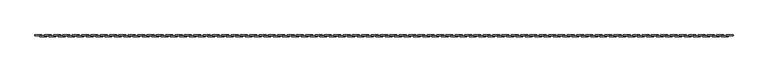
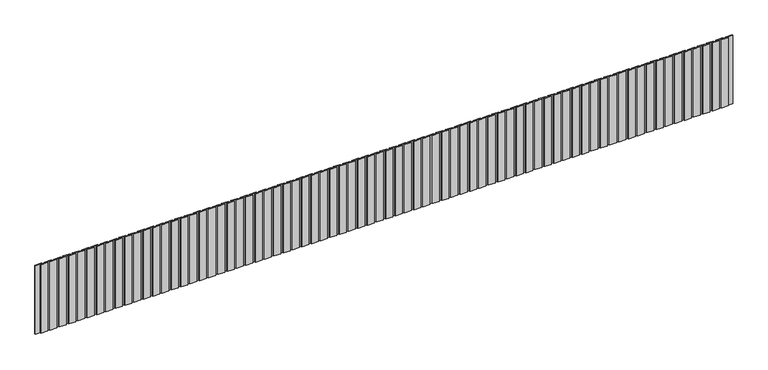
"""IFC4 building model written with IfcOpenShell, lengths in millimetres: geographic element geometry."""

from ifc_helpers import new_model, si_unit, frame, origin, place, context, project, spatial, polyline, outline, extrude, source, transform, mapped, element, save


def geographic_element_56c18381(model_context):
    return source(origin(), model_context, "Body", "SweptSolid", [
        extrude(outline(polyline([(31050.6871344, 20.0), (30900.3435672, 20.0), (30900.3435672, 40.0), (31050.6871344, 40.0), (31050.6871344, 20.0)])), frame((0.0, 0.0, 200.0), z_axis=(0.0, 0.0, 1.0), x_axis=(1.0, 0.0, 0.0)), (0.0, 0.0, 1.0), 1550.0),
        extrude(outline(polyline([(30950.3435672, 0.0), (30800.0, 0.0), (30800.0, 20.0), (30950.3435672, 20.0), (30950.3435672, 0.0)])), frame((0.0, 0.0, 200.0), z_axis=(0.0, 0.0, 1.0), x_axis=(1.0, 0.0, 0.0)), (0.0, 0.0, 1.0), 1550.0),
        extrude(outline(polyline([(30850.6871344, 20.0), (30700.3435672, 20.0), (30700.3435672, 40.0), (30850.6871344, 40.0), (30850.6871344, 20.0)])), frame((0.0, 0.0, 200.0), z_axis=(0.0, 0.0, 1.0), x_axis=(1.0, 0.0, 0.0)), (0.0, 0.0, 1.0), 1550.0),
        extrude(outline(polyline([(30750.3435672, 0.0), (30600.0, 0.0), (30600.0, 20.0), (30750.3435672, 20.0), (30750.3435672, 0.0)])), frame((0.0, 0.0, 200.0), z_axis=(0.0, 0.0, 1.0), x_axis=(1.0, 0.0, 0.0)), (0.0, 0.0, 1.0), 1550.0),
        extrude(outline(polyline([(30650.6871344, 20.0), (30500.3435672, 20.0), (30500.3435672, 40.0), (30650.6871344, 40.0), (30650.6871344, 20.0)])), frame((0.0, 0.0, 200.0), z_axis=(0.0, 0.0, 1.0), x_axis=(1.0, 0.0, 0.0)), (0.0, 0.0, 1.0), 1550.0),
        extrude(outline(polyline([(30550.3435672, 0.0), (30400.0, 0.0), (30400.0, 20.0), (30550.3435672, 20.0), (30550.3435672, 0.0)])), frame((0.0, 0.0, 200.0), z_axis=(0.0, 0.0, 1.0), x_axis=(1.0, 0.0, 0.0)), (0.0, 0.0, 1.0), 1550.0),
        extrude(outline(polyline([(30450.6871344, 20.0), (30300.3435672, 20.0), (30300.3435672, 40.0), (30450.6871344, 40.0), (30450.6871344, 20.0)])), frame((0.0, 0.0, 200.0), z_axis=(0.0, 0.0, 1.0), x_axis=(1.0, 0.0, 0.0)), (0.0, 0.0, 1.0), 1550.0),
        extrude(outline(polyline([(30350.3435672, 0.0), (30200.0, 0.0), (30200.0, 20.0), (30350.3435672, 20.0), (30350.3435672, 0.0)])), frame((0.0, 0.0, 200.0), z_axis=(0.0, 0.0, 1.0), x_axis=(1.0, 0.0, 0.0)), (0.0, 0.0, 1.0), 1550.0),
        extrude(outline(polyline([(30250.6871344, 20.0), (30100.3435672, 20.0), (30100.3435672, 40.0), (30250.6871344, 40.0), (30250.6871344, 20.0)])), frame((0.0, 0.0, 200.0), z_axis=(0.0, 0.0, 1.0), x_axis=(1.0, 0.0, 0.0)), (0.0, 0.0, 1.0), 1550.0),
        extrude(outline(polyline([(30150.3435672, 0.0), (30000.0, 0.0), (30000.0, 20.0), (30150.3435672, 20.0), (30150.3435672, 0.0)])), frame((0.0, 0.0, 200.0), z_axis=(0.0, 0.0, 1.0), x_axis=(1.0, 0.0, 0.0)), (0.0, 0.0, 1.0), 1550.0),
        extrude(outline(polyline([(30050.6871344, 20.0), (29900.3435672, 20.0), (29900.3435672, 40.0), (30050.6871344, 40.0), (30050.6871344, 20.0)])), frame((0.0, 0.0, 200.0), z_axis=(0.0, 0.0, 1.0), x_axis=(1.0, 0.0, 0.0)), (0.0, 0.0, 1.0), 1550.0),
        extrude(outline(polyline([(29950.3435672, 0.0), (29800.0, 0.0), (29800.0, 20.0), (29950.3435672, 20.0), (29950.3435672, 0.0)])), frame((0.0, 0.0, 200.0), z_axis=(0.0, 0.0, 1.0), x_axis=(1.0, 0.0, 0.0)), (0.0, 0.0, 1.0), 1550.0),
        extrude(outline(polyline([(29850.6871344, 20.0), (29700.3435672, 20.0), (29700.3435672, 40.0), (29850.6871344, 40.0), (29850.6871344, 20.0)])), frame((0.0, 0.0, 200.0), z_axis=(0.0, 0.0, 1.0), x_axis=(1.0, 0.0, 0.0)), (0.0, 0.0, 1.0), 1550.0),
        extrude(outline(polyline([(29750.3435672, 0.0), (29600.0, 0.0), (29600.0, 20.0), (29750.3435672, 20.0), (29750.3435672, 0.0)])), frame((0.0, 0.0, 200.0), z_axis=(0.0, 0.0, 1.0), x_axis=(1.0, 0.0, 0.0)), (0.0, 0.0, 1.0), 1550.0),
        extrude(outline(polyline([(29650.6871344, 20.0), (29500.3435672, 20.0), (29500.3435672, 40.0), (29650.6871344, 40.0), (29650.6871344, 20.0)])), frame((0.0, 0.0, 200.0), z_axis=(0.0, 0.0, 1.0), x_axis=(1.0, 0.0, 0.0)), (0.0, 0.0, 1.0), 1550.0),
        extrude(outline(polyline([(29550.3435672, 0.0), (29400.0, 0.0), (29400.0, 20.0), (29550.3435672, 20.0), (29550.3435672, 0.0)])), frame((0.0, 0.0, 200.0), z_axis=(0.0, 0.0, 1.0), x_axis=(1.0, 0.0, 0.0)), (0.0, 0.0, 1.0), 1550.0),
        extrude(outline(polyline([(29450.6871344, 20.0), (29300.3435672, 20.0), (29300.3435672, 40.0), (29450.6871344, 40.0), (29450.6871344, 20.0)])), frame((0.0, 0.0, 200.0), z_axis=(0.0, 0.0, 1.0), x_axis=(1.0, 0.0, 0.0)), (0.0, 0.0, 1.0), 1550.0),
        extrude(outline(polyline([(29350.3435672, 0.0), (29200.0, 0.0), (29200.0, 20.0), (29350.3435672, 20.0), (29350.3435672, 0.0)])), frame((0.0, 0.0, 200.0), z_axis=(0.0, 0.0, 1.0), x_axis=(1.0, 0.0, 0.0)), (0.0, 0.0, 1.0), 1550.0),
        extrude(outline(polyline([(29250.6871344, 20.0), (29100.3435672, 20.0), (29100.3435672, 40.0), (29250.6871344, 40.0), (29250.6871344, 20.0)])), frame((0.0, 0.0, 200.0), z_axis=(0.0, 0.0, 1.0), x_axis=(1.0, 0.0, 0.0)), (0.0, 0.0, 1.0), 1550.0),
        extrude(outline(polyline([(29150.3435672, 0.0), (29000.0, 0.0), (29000.0, 20.0), (29150.3435672, 20.0), (29150.3435672, 0.0)])), frame((0.0, 0.0, 200.0), z_axis=(0.0, 0.0, 1.0), x_axis=(1.0, 0.0, 0.0)), (0.0, 0.0, 1.0), 1550.0),
        extrude(outline(polyline([(29050.6871344, 20.0), (28900.3435672, 20.0), (28900.3435672, 40.0), (29050.6871344, 40.0), (29050.6871344, 20.0)])), frame((0.0, 0.0, 200.0), z_axis=(0.0, 0.0, 1.0), x_axis=(1.0, 0.0, 0.0)), (0.0, 0.0, 1.0), 1550.0),
        extrude(outline(polyline([(28950.3435672, 0.0), (28800.0, 0.0), (28800.0, 20.0), (28950.3435672, 20.0), (28950.3435672, 0.0)])), frame((0.0, 0.0, 200.0), z_axis=(0.0, 0.0, 1.0), x_axis=(1.0, 0.0, 0.0)), (0.0, 0.0, 1.0), 1550.0),
        extrude(outline(polyline([(28850.6871344, 20.0), (28700.3435672, 20.0), (28700.3435672, 40.0), (28850.6871344, 40.0), (28850.6871344, 20.0)])), frame((0.0, 0.0, 200.0), z_axis=(0.0, 0.0, 1.0), x_axis=(1.0, 0.0, 0.0)), (0.0, 0.0, 1.0), 1550.0),
        extrude(outline(polyline([(28750.3435672, 0.0), (28600.0, 0.0), (28600.0, 20.0), (28750.3435672, 20.0), (28750.3435672, 0.0)])), frame((0.0, 0.0, 200.0), z_axis=(0.0, 0.0, 1.0), x_axis=(1.0, 0.0, 0.0)), (0.0, 0.0, 1.0), 1550.0),
        extrude(outline(polyline([(28650.6871344, 20.0), (28500.3435672, 20.0), (28500.3435672, 40.0), (28650.6871344, 40.0), (28650.6871344, 20.0)])), frame((0.0, 0.0, 200.0), z_axis=(0.0, 0.0, 1.0), x_axis=(1.0, 0.0, 0.0)), (0.0, 0.0, 1.0), 1550.0),
        extrude(outline(polyline([(28550.3435672, 0.0), (28400.0, 0.0), (28400.0, 20.0), (28550.3435672, 20.0), (28550.3435672, 0.0)])), frame((0.0, 0.0, 200.0), z_axis=(0.0, 0.0, 1.0), x_axis=(1.0, 0.0, 0.0)), (0.0, 0.0, 1.0), 1550.0),
        extrude(outline(polyline([(28450.6871344, 20.0), (28300.3435672, 20.0), (28300.3435672, 40.0), (28450.6871344, 40.0), (28450.6871344, 20.0)])), frame((0.0, 0.0, 200.0), z_axis=(0.0, 0.0, 1.0), x_axis=(1.0, 0.0, 0.0)), (0.0, 0.0, 1.0), 1550.0),
        extrude(outline(polyline([(28350.3435672, 0.0), (28200.0, 0.0), (28200.0, 20.0), (28350.3435672, 20.0), (28350.3435672, 0.0)])), frame((0.0, 0.0, 200.0), z_axis=(0.0, 0.0, 1.0), x_axis=(1.0, 0.0, 0.0)), (0.0, 0.0, 1.0), 1550.0),
        extrude(outline(polyline([(28250.6871344, 20.0), (28100.3435672, 20.0), (28100.3435672, 40.0), (28250.6871344, 40.0), (28250.6871344, 20.0)])), frame((0.0, 0.0, 200.0), z_axis=(0.0, 0.0, 1.0), x_axis=(1.0, 0.0, 0.0)), (0.0, 0.0, 1.0), 1550.0),
        extrude(outline(polyline([(28150.3435672, 0.0), (28000.0, 0.0), (28000.0, 20.0), (28150.3435672, 20.0), (28150.3435672, 0.0)])), frame((0.0, 0.0, 200.0), z_axis=(0.0, 0.0, 1.0), x_axis=(1.0, 0.0, 0.0)), (0.0, 0.0, 1.0), 1550.0),
        extrude(outline(polyline([(28050.6871344, 20.0), (27900.3435672, 20.0), (27900.3435672, 40.0), (28050.6871344, 40.0), (28050.6871344, 20.0)])), frame((0.0, 0.0, 200.0), z_axis=(0.0, 0.0, 1.0), x_axis=(1.0, 0.0, 0.0)), (0.0, 0.0, 1.0), 1550.0),
        extrude(outline(polyline([(27950.3435672, 0.0), (27800.0, 0.0), (27800.0, 20.0), (27950.3435672, 20.0), (27950.3435672, 0.0)])), frame((0.0, 0.0, 200.0), z_axis=(0.0, 0.0, 1.0), x_axis=(1.0, 0.0, 0.0)), (0.0, 0.0, 1.0), 1550.0),
        extrude(outline(polyline([(27850.6871344, 20.0), (27700.3435672, 20.0), (27700.3435672, 40.0), (27850.6871344, 40.0), (27850.6871344, 20.0)])), frame((0.0, 0.0, 200.0), z_axis=(0.0, 0.0, 1.0), x_axis=(1.0, 0.0, 0.0)), (0.0, 0.0, 1.0), 1550.0),
        extrude(outline(polyline([(27750.3435672, 0.0), (27600.0, 0.0), (27600.0, 20.0), (27750.3435672, 20.0), (27750.3435672, 0.0)])), frame((0.0, 0.0, 200.0), z_axis=(0.0, 0.0, 1.0), x_axis=(1.0, 0.0, 0.0)), (0.0, 0.0, 1.0), 1550.0),
        extrude(outline(polyline([(27650.6871344, 20.0), (27500.3435672, 20.0), (27500.3435672, 40.0), (27650.6871344, 40.0), (27650.6871344, 20.0)])), frame((0.0, 0.0, 200.0), z_axis=(0.0, 0.0, 1.0), x_axis=(1.0, 0.0, 0.0)), (0.0, 0.0, 1.0), 1550.0),
        extrude(outline(polyline([(27550.3435672, 0.0), (27400.0, 0.0), (27400.0, 20.0), (27550.3435672, 20.0), (27550.3435672, 0.0)])), frame((0.0, 0.0, 200.0), z_axis=(0.0, 0.0, 1.0), x_axis=(1.0, 0.0, 0.0)), (0.0, 0.0, 1.0), 1550.0),
        extrude(outline(polyline([(27450.6871344, 20.0), (27300.3435672, 20.0), (27300.3435672, 40.0), (27450.6871344, 40.0), (27450.6871344, 20.0)])), frame((0.0, 0.0, 200.0), z_axis=(0.0, 0.0, 1.0), x_axis=(1.0, 0.0, 0.0)), (0.0, 0.0, 1.0), 1550.0),
        extrude(outline(polyline([(27350.3435672, 0.0), (27200.0, 0.0), (27200.0, 20.0), (27350.3435672, 20.0), (27350.3435672, 0.0)])), frame((0.0, 0.0, 200.0), z_axis=(0.0, 0.0, 1.0), x_axis=(1.0, 0.0, 0.0)), (0.0, 0.0, 1.0), 1550.0),
        extrude(outline(polyline([(27250.6871344, 20.0), (27100.3435672, 20.0), (27100.3435672, 40.0), (27250.6871344, 40.0), (27250.6871344, 20.0)])), frame((0.0, 0.0, 200.0), z_axis=(0.0, 0.0, 1.0), x_axis=(1.0, 0.0, 0.0)), (0.0, 0.0, 1.0), 1550.0),
        extrude(outline(polyline([(27150.3435672, 0.0), (27000.0, 0.0), (27000.0, 20.0), (27150.3435672, 20.0), (27150.3435672, 0.0)])), frame((0.0, 0.0, 200.0), z_axis=(0.0, 0.0, 1.0), x_axis=(1.0, 0.0, 0.0)), (0.0, 0.0, 1.0), 1550.0),
        extrude(outline(polyline([(27050.6871344, 20.0), (26900.3435672, 20.0), (26900.3435672, 40.0), (27050.6871344, 40.0), (27050.6871344, 20.0)])), frame((0.0, 0.0, 200.0), z_axis=(0.0, 0.0, 1.0), x_axis=(1.0, 0.0, 0.0)), (0.0, 0.0, 1.0), 1550.0),
        extrude(outline(polyline([(26950.3435672, 0.0), (26800.0, 0.0), (26800.0, 20.0), (26950.3435672, 20.0), (26950.3435672, 0.0)])), frame((0.0, 0.0, 200.0), z_axis=(0.0, 0.0, 1.0), x_axis=(1.0, 0.0, 0.0)), (0.0, 0.0, 1.0), 1550.0),
        extrude(outline(polyline([(26850.6871344, 20.0), (26700.3435672, 20.0), (26700.3435672, 40.0), (26850.6871344, 40.0), (26850.6871344, 20.0)])), frame((0.0, 0.0, 200.0), z_axis=(0.0, 0.0, 1.0), x_axis=(1.0, 0.0, 0.0)), (0.0, 0.0, 1.0), 1550.0),
        extrude(outline(polyline([(26750.3435672, 0.0), (26600.0, 0.0), (26600.0, 20.0), (26750.3435672, 20.0), (26750.3435672, 0.0)])), frame((0.0, 0.0, 200.0), z_axis=(0.0, 0.0, 1.0), x_axis=(1.0, 0.0, 0.0)), (0.0, 0.0, 1.0), 1550.0),
        extrude(outline(polyline([(26650.6871344, 20.0), (26500.3435672, 20.0), (26500.3435672, 40.0), (26650.6871344, 40.0), (26650.6871344, 20.0)])), frame((0.0, 0.0, 200.0), z_axis=(0.0, 0.0, 1.0), x_axis=(1.0, 0.0, 0.0)), (0.0, 0.0, 1.0), 1550.0),
        extrude(outline(polyline([(26550.3435672, 0.0), (26400.0, 0.0), (26400.0, 20.0), (26550.3435672, 20.0), (26550.3435672, 0.0)])), frame((0.0, 0.0, 200.0), z_axis=(0.0, 0.0, 1.0), x_axis=(1.0, 0.0, 0.0)), (0.0, 0.0, 1.0), 1550.0),
        extrude(outline(polyline([(26450.6871344, 20.0), (26300.3435672, 20.0), (26300.3435672, 40.0), (26450.6871344, 40.0), (26450.6871344, 20.0)])), frame((0.0, 0.0, 200.0), z_axis=(0.0, 0.0, 1.0), x_axis=(1.0, 0.0, 0.0)), (0.0, 0.0, 1.0), 1550.0),
        extrude(outline(polyline([(26350.3435672, 0.0), (26200.0, 0.0), (26200.0, 20.0), (26350.3435672, 20.0), (26350.3435672, 0.0)])), frame((0.0, 0.0, 200.0), z_axis=(0.0, 0.0, 1.0), x_axis=(1.0, 0.0, 0.0)), (0.0, 0.0, 1.0), 1550.0),
        extrude(outline(polyline([(26250.6871344, 20.0), (26100.3435672, 20.0), (26100.3435672, 40.0), (26250.6871344, 40.0), (26250.6871344, 20.0)])), frame((0.0, 0.0, 200.0), z_axis=(0.0, 0.0, 1.0), x_axis=(1.0, 0.0, 0.0)), (0.0, 0.0, 1.0), 1550.0),
        extrude(outline(polyline([(26150.3435672, 0.0), (26000.0, 0.0), (26000.0, 20.0), (26150.3435672, 20.0), (26150.3435672, 0.0)])), frame((0.0, 0.0, 200.0), z_axis=(0.0, 0.0, 1.0), x_axis=(1.0, 0.0, 0.0)), (0.0, 0.0, 1.0), 1550.0),
        extrude(outline(polyline([(26050.6871344, 20.0), (25900.3435672, 20.0), (25900.3435672, 40.0), (26050.6871344, 40.0), (26050.6871344, 20.0)])), frame((0.0, 0.0, 200.0), z_axis=(0.0, 0.0, 1.0), x_axis=(1.0, 0.0, 0.0)), (0.0, 0.0, 1.0), 1550.0),
        extrude(outline(polyline([(25950.3435672, 0.0), (25800.0, 0.0), (25800.0, 20.0), (25950.3435672, 20.0), (25950.3435672, 0.0)])), frame((0.0, 0.0, 200.0), z_axis=(0.0, 0.0, 1.0), x_axis=(1.0, 0.0, 0.0)), (0.0, 0.0, 1.0), 1550.0),
        extrude(outline(polyline([(25850.6871344, 20.0), (25700.3435672, 20.0), (25700.3435672, 40.0), (25850.6871344, 40.0), (25850.6871344, 20.0)])), frame((0.0, 0.0, 200.0), z_axis=(0.0, 0.0, 1.0), x_axis=(1.0, 0.0, 0.0)), (0.0, 0.0, 1.0), 1550.0),
        extrude(outline(polyline([(25750.3435672, 0.0), (25600.0, 0.0), (25600.0, 20.0), (25750.3435672, 20.0), (25750.3435672, 0.0)])), frame((0.0, 0.0, 200.0), z_axis=(0.0, 0.0, 1.0), x_axis=(1.0, 0.0, 0.0)), (0.0, 0.0, 1.0), 1550.0),
        extrude(outline(polyline([(25650.6871344, 20.0), (25500.3435672, 20.0), (25500.3435672, 40.0), (25650.6871344, 40.0), (25650.6871344, 20.0)])), frame((0.0, 0.0, 200.0), z_axis=(0.0, 0.0, 1.0), x_axis=(1.0, 0.0, 0.0)), (0.0, 0.0, 1.0), 1550.0),
        extrude(outline(polyline([(25550.3435672, 0.0), (25400.0, 0.0), (25400.0, 20.0), (25550.3435672, 20.0), (25550.3435672, 0.0)])), frame((0.0, 0.0, 200.0), z_axis=(0.0, 0.0, 1.0), x_axis=(1.0, 0.0, 0.0)), (0.0, 0.0, 1.0), 1550.0),
        extrude(outline(polyline([(25450.6871344, 20.0), (25300.3435672, 20.0), (25300.3435672, 40.0), (25450.6871344, 40.0), (25450.6871344, 20.0)])), frame((0.0, 0.0, 200.0), z_axis=(0.0, 0.0, 1.0), x_axis=(1.0, 0.0, 0.0)), (0.0, 0.0, 1.0), 1550.0),
        extrude(outline(polyline([(25350.3435672, 0.0), (25200.0, 0.0), (25200.0, 20.0), (25350.3435672, 20.0), (25350.3435672, 0.0)])), frame((0.0, 0.0, 200.0), z_axis=(0.0, 0.0, 1.0), x_axis=(1.0, 0.0, 0.0)), (0.0, 0.0, 1.0), 1550.0),
        extrude(outline(polyline([(25250.6871344, 20.0), (25100.3435672, 20.0), (25100.3435672, 40.0), (25250.6871344, 40.0), (25250.6871344, 20.0)])), frame((0.0, 0.0, 200.0), z_axis=(0.0, 0.0, 1.0), x_axis=(1.0, 0.0, 0.0)), (0.0, 0.0, 1.0), 1550.0),
        extrude(outline(polyline([(25150.3435672, 0.0), (25000.0, 0.0), (25000.0, 20.0), (25150.3435672, 20.0), (25150.3435672, 0.0)])), frame((0.0, 0.0, 200.0), z_axis=(0.0, 0.0, 1.0), x_axis=(1.0, 0.0, 0.0)), (0.0, 0.0, 1.0), 1550.0),
        extrude(outline(polyline([(25050.6871344, 20.0), (24900.3435672, 20.0), (24900.3435672, 40.0), (25050.6871344, 40.0), (25050.6871344, 20.0)])), frame((0.0, 0.0, 200.0), z_axis=(0.0, 0.0, 1.0), x_axis=(1.0, 0.0, 0.0)), (0.0, 0.0, 1.0), 1550.0),
        extrude(outline(polyline([(24950.3435672, 0.0), (24800.0, 0.0), (24800.0, 20.0), (24950.3435672, 20.0), (24950.3435672, 0.0)])), frame((0.0, 0.0, 200.0), z_axis=(0.0, 0.0, 1.0), x_axis=(1.0, 0.0, 0.0)), (0.0, 0.0, 1.0), 1550.0),
        extrude(outline(polyline([(24850.6871344, 20.0), (24700.3435672, 20.0), (24700.3435672, 40.0), (24850.6871344, 40.0), (24850.6871344, 20.0)])), frame((0.0, 0.0, 200.0), z_axis=(0.0, 0.0, 1.0), x_axis=(1.0, 0.0, 0.0)), (0.0, 0.0, 1.0), 1550.0),
        extrude(outline(polyline([(24750.3435672, 0.0), (24600.0, 0.0), (24600.0, 20.0), (24750.3435672, 20.0), (24750.3435672, 0.0)])), frame((0.0, 0.0, 200.0), z_axis=(0.0, 0.0, 1.0), x_axis=(1.0, 0.0, 0.0)), (0.0, 0.0, 1.0), 1550.0),
        extrude(outline(polyline([(24650.6871344, 20.0), (24500.3435672, 20.0), (24500.3435672, 40.0), (24650.6871344, 40.0), (24650.6871344, 20.0)])), frame((0.0, 0.0, 200.0), z_axis=(0.0, 0.0, 1.0), x_axis=(1.0, 0.0, 0.0)), (0.0, 0.0, 1.0), 1550.0),
        extrude(outline(polyline([(24550.3435672, 0.0), (24400.0, 0.0), (24400.0, 20.0), (24550.3435672, 20.0), (24550.3435672, 0.0)])), frame((0.0, 0.0, 200.0), z_axis=(0.0, 0.0, 1.0), x_axis=(1.0, 0.0, 0.0)), (0.0, 0.0, 1.0), 1550.0),
        extrude(outline(polyline([(24450.6871344, 20.0), (24300.3435672, 20.0), (24300.3435672, 40.0), (24450.6871344, 40.0), (24450.6871344, 20.0)])), frame((0.0, 0.0, 200.0), z_axis=(0.0, 0.0, 1.0), x_axis=(1.0, 0.0, 0.0)), (0.0, 0.0, 1.0), 1550.0),
        extrude(outline(polyline([(24350.3435672, 0.0), (24200.0, 0.0), (24200.0, 20.0), (24350.3435672, 20.0), (24350.3435672, 0.0)])), frame((0.0, 0.0, 200.0), z_axis=(0.0, 0.0, 1.0), x_axis=(1.0, 0.0, 0.0)), (0.0, 0.0, 1.0), 1550.0),
        extrude(outline(polyline([(24250.6871344, 20.0), (24100.3435672, 20.0), (24100.3435672, 40.0), (24250.6871344, 40.0), (24250.6871344, 20.0)])), frame((0.0, 0.0, 200.0), z_axis=(0.0, 0.0, 1.0), x_axis=(1.0, 0.0, 0.0)), (0.0, 0.0, 1.0), 1550.0),
        extrude(outline(polyline([(24150.3435672, 0.0), (24000.0, 0.0), (24000.0, 20.0), (24150.3435672, 20.0), (24150.3435672, 0.0)])), frame((0.0, 0.0, 200.0), z_axis=(0.0, 0.0, 1.0), x_axis=(1.0, 0.0, 0.0)), (0.0, 0.0, 1.0), 1550.0),
        extrude(outline(polyline([(24050.6871344, 20.0), (23900.3435672, 20.0), (23900.3435672, 40.0), (24050.6871344, 40.0), (24050.6871344, 20.0)])), frame((0.0, 0.0, 200.0), z_axis=(0.0, 0.0, 1.0), x_axis=(1.0, 0.0, 0.0)), (0.0, 0.0, 1.0), 1550.0),
        extrude(outline(polyline([(23950.3435672, 0.0), (23800.0, 0.0), (23800.0, 20.0), (23950.3435672, 20.0), (23950.3435672, 0.0)])), frame((0.0, 0.0, 200.0), z_axis=(0.0, 0.0, 1.0), x_axis=(1.0, 0.0, 0.0)), (0.0, 0.0, 1.0), 1550.0),
        extrude(outline(polyline([(23850.6871344, 20.0), (23700.3435672, 20.0), (23700.3435672, 40.0), (23850.6871344, 40.0), (23850.6871344, 20.0)])), frame((0.0, 0.0, 200.0), z_axis=(0.0, 0.0, 1.0), x_axis=(1.0, 0.0, 0.0)), (0.0, 0.0, 1.0), 1550.0),
        extrude(outline(polyline([(23750.3435672, 0.0), (23600.0, 0.0), (23600.0, 20.0), (23750.3435672, 20.0), (23750.3435672, 0.0)])), frame((0.0, 0.0, 200.0), z_axis=(0.0, 0.0, 1.0), x_axis=(1.0, 0.0, 0.0)), (0.0, 0.0, 1.0), 1550.0),
        extrude(outline(polyline([(23650.6871344, 20.0), (23500.3435672, 20.0), (23500.3435672, 40.0), (23650.6871344, 40.0), (23650.6871344, 20.0)])), frame((0.0, 0.0, 200.0), z_axis=(0.0, 0.0, 1.0), x_axis=(1.0, 0.0, 0.0)), (0.0, 0.0, 1.0), 1550.0),
        extrude(outline(polyline([(23550.3435672, 0.0), (23400.0, 0.0), (23400.0, 20.0), (23550.3435672, 20.0), (23550.3435672, 0.0)])), frame((0.0, 0.0, 200.0), z_axis=(0.0, 0.0, 1.0), x_axis=(1.0, 0.0, 0.0)), (0.0, 0.0, 1.0), 1550.0),
        extrude(outline(polyline([(23450.6871344, 20.0), (23300.3435672, 20.0), (23300.3435672, 40.0), (23450.6871344, 40.0), (23450.6871344, 20.0)])), frame((0.0, 0.0, 200.0), z_axis=(0.0, 0.0, 1.0), x_axis=(1.0, 0.0, 0.0)), (0.0, 0.0, 1.0), 1550.0),
        extrude(outline(polyline([(23350.3435672, 0.0), (23200.0, 0.0), (23200.0, 20.0), (23350.3435672, 20.0), (23350.3435672, 0.0)])), frame((0.0, 0.0, 200.0), z_axis=(0.0, 0.0, 1.0), x_axis=(1.0, 0.0, 0.0)), (0.0, 0.0, 1.0), 1550.0),
        extrude(outline(polyline([(23250.6871344, 20.0), (23100.3435672, 20.0), (23100.3435672, 40.0), (23250.6871344, 40.0), (23250.6871344, 20.0)])), frame((0.0, 0.0, 200.0), z_axis=(0.0, 0.0, 1.0), x_axis=(1.0, 0.0, 0.0)), (0.0, 0.0, 1.0), 1550.0),
        extrude(outline(polyline([(23150.3435672, 0.0), (23000.0, 0.0), (23000.0, 20.0), (23150.3435672, 20.0), (23150.3435672, 0.0)])), frame((0.0, 0.0, 200.0), z_axis=(0.0, 0.0, 1.0), x_axis=(1.0, 0.0, 0.0)), (0.0, 0.0, 1.0), 1550.0),
        extrude(outline(polyline([(23050.6871344, 20.0), (22900.3435672, 20.0), (22900.3435672, 40.0), (23050.6871344, 40.0), (23050.6871344, 20.0)])), frame((0.0, 0.0, 200.0), z_axis=(0.0, 0.0, 1.0), x_axis=(1.0, 0.0, 0.0)), (0.0, 0.0, 1.0), 1550.0),
        extrude(outline(polyline([(22950.3435672, 0.0), (22800.0, 0.0), (22800.0, 20.0), (22950.3435672, 20.0), (22950.3435672, 0.0)])), frame((0.0, 0.0, 200.0), z_axis=(0.0, 0.0, 1.0), x_axis=(1.0, 0.0, 0.0)), (0.0, 0.0, 1.0), 1550.0),
        extrude(outline(polyline([(22850.6871344, 20.0), (22700.3435672, 20.0), (22700.3435672, 40.0), (22850.6871344, 40.0), (22850.6871344, 20.0)])), frame((0.0, 0.0, 200.0), z_axis=(0.0, 0.0, 1.0), x_axis=(1.0, 0.0, 0.0)), (0.0, 0.0, 1.0), 1550.0),
        extrude(outline(polyline([(22750.3435672, 0.0), (22600.0, 0.0), (22600.0, 20.0), (22750.3435672, 20.0), (22750.3435672, 0.0)])), frame((0.0, 0.0, 200.0), z_axis=(0.0, 0.0, 1.0), x_axis=(1.0, 0.0, 0.0)), (0.0, 0.0, 1.0), 1550.0),
        extrude(outline(polyline([(22650.6871344, 20.0), (22500.3435672, 20.0), (22500.3435672, 40.0), (22650.6871344, 40.0), (22650.6871344, 20.0)])), frame((0.0, 0.0, 200.0), z_axis=(0.0, 0.0, 1.0), x_axis=(1.0, 0.0, 0.0)), (0.0, 0.0, 1.0), 1550.0),
        extrude(outline(polyline([(22550.3435672, 0.0), (22400.0, 0.0), (22400.0, 20.0), (22550.3435672, 20.0), (22550.3435672, 0.0)])), frame((0.0, 0.0, 200.0), z_axis=(0.0, 0.0, 1.0), x_axis=(1.0, 0.0, 0.0)), (0.0, 0.0, 1.0), 1550.0),
        extrude(outline(polyline([(22450.6871344, 20.0), (22300.3435672, 20.0), (22300.3435672, 40.0), (22450.6871344, 40.0), (22450.6871344, 20.0)])), frame((0.0, 0.0, 200.0), z_axis=(0.0, 0.0, 1.0), x_axis=(1.0, 0.0, 0.0)), (0.0, 0.0, 1.0), 1550.0),
        extrude(outline(polyline([(22350.3435672, 0.0), (22200.0, 0.0), (22200.0, 20.0), (22350.3435672, 20.0), (22350.3435672, 0.0)])), frame((0.0, 0.0, 200.0), z_axis=(0.0, 0.0, 1.0), x_axis=(1.0, 0.0, 0.0)), (0.0, 0.0, 1.0), 1550.0),
        extrude(outline(polyline([(22250.6871344, 20.0), (22100.3435672, 20.0), (22100.3435672, 40.0), (22250.6871344, 40.0), (22250.6871344, 20.0)])), frame((0.0, 0.0, 200.0), z_axis=(0.0, 0.0, 1.0), x_axis=(1.0, 0.0, 0.0)), (0.0, 0.0, 1.0), 1550.0),
        extrude(outline(polyline([(22150.3435672, 0.0), (22000.0, 0.0), (22000.0, 20.0), (22150.3435672, 20.0), (22150.3435672, 0.0)])), frame((0.0, 0.0, 200.0), z_axis=(0.0, 0.0, 1.0), x_axis=(1.0, 0.0, 0.0)), (0.0, 0.0, 1.0), 1550.0),
        extrude(outline(polyline([(22050.6871344, 20.0), (21900.3435672, 20.0), (21900.3435672, 40.0), (22050.6871344, 40.0), (22050.6871344, 20.0)])), frame((0.0, 0.0, 200.0), z_axis=(0.0, 0.0, 1.0), x_axis=(1.0, 0.0, 0.0)), (0.0, 0.0, 1.0), 1550.0),
        extrude(outline(polyline([(21950.3435672, 0.0), (21800.0, 0.0), (21800.0, 20.0), (21950.3435672, 20.0), (21950.3435672, 0.0)])), frame((0.0, 0.0, 200.0), z_axis=(0.0, 0.0, 1.0), x_axis=(1.0, 0.0, 0.0)), (0.0, 0.0, 1.0), 1550.0),
        extrude(outline(polyline([(21850.6871344, 20.0), (21700.3435672, 20.0), (21700.3435672, 40.0), (21850.6871344, 40.0), (21850.6871344, 20.0)])), frame((0.0, 0.0, 200.0), z_axis=(0.0, 0.0, 1.0), x_axis=(1.0, 0.0, 0.0)), (0.0, 0.0, 1.0), 1550.0),
        extrude(outline(polyline([(21750.3435672, 0.0), (21600.0, 0.0), (21600.0, 20.0), (21750.3435672, 20.0), (21750.3435672, 0.0)])), frame((0.0, 0.0, 200.0), z_axis=(0.0, 0.0, 1.0), x_axis=(1.0, 0.0, 0.0)), (0.0, 0.0, 1.0), 1550.0),
        extrude(outline(polyline([(21650.6871344, 20.0), (21500.3435672, 20.0), (21500.3435672, 40.0), (21650.6871344, 40.0), (21650.6871344, 20.0)])), frame((0.0, 0.0, 200.0), z_axis=(0.0, 0.0, 1.0), x_axis=(1.0, 0.0, 0.0)), (0.0, 0.0, 1.0), 1550.0),
        extrude(outline(polyline([(21550.3435672, 0.0), (21400.0, 0.0), (21400.0, 20.0), (21550.3435672, 20.0), (21550.3435672, 0.0)])), frame((0.0, 0.0, 200.0), z_axis=(0.0, 0.0, 1.0), x_axis=(1.0, 0.0, 0.0)), (0.0, 0.0, 1.0), 1550.0),
        extrude(outline(polyline([(21450.6871344, 20.0), (21300.3435672, 20.0), (21300.3435672, 40.0), (21450.6871344, 40.0), (21450.6871344, 20.0)])), frame((0.0, 0.0, 200.0), z_axis=(0.0, 0.0, 1.0), x_axis=(1.0, 0.0, 0.0)), (0.0, 0.0, 1.0), 1550.0),
        extrude(outline(polyline([(21350.3435672, 0.0), (21200.0, 0.0), (21200.0, 20.0), (21350.3435672, 20.0), (21350.3435672, 0.0)])), frame((0.0, 0.0, 200.0), z_axis=(0.0, 0.0, 1.0), x_axis=(1.0, 0.0, 0.0)), (0.0, 0.0, 1.0), 1550.0),
        extrude(outline(polyline([(21250.6871344, 20.0), (21100.3435672, 20.0), (21100.3435672, 40.0), (21250.6871344, 40.0), (21250.6871344, 20.0)])), frame((0.0, 0.0, 200.0), z_axis=(0.0, 0.0, 1.0), x_axis=(1.0, 0.0, 0.0)), (0.0, 0.0, 1.0), 1550.0),
        extrude(outline(polyline([(21150.3435672, 0.0), (21000.0, 0.0), (21000.0, 20.0), (21150.3435672, 20.0), (21150.3435672, 0.0)])), frame((0.0, 0.0, 200.0), z_axis=(0.0, 0.0, 1.0), x_axis=(1.0, 0.0, 0.0)), (0.0, 0.0, 1.0), 1550.0),
        extrude(outline(polyline([(21050.6871344, 20.0), (20900.3435672, 20.0), (20900.3435672, 40.0), (21050.6871344, 40.0), (21050.6871344, 20.0)])), frame((0.0, 0.0, 200.0), z_axis=(0.0, 0.0, 1.0), x_axis=(1.0, 0.0, 0.0)), (0.0, 0.0, 1.0), 1550.0),
        extrude(outline(polyline([(20950.3435672, 0.0), (20800.0, 0.0), (20800.0, 20.0), (20950.3435672, 20.0), (20950.3435672, 0.0)])), frame((0.0, 0.0, 200.0), z_axis=(0.0, 0.0, 1.0), x_axis=(1.0, 0.0, 0.0)), (0.0, 0.0, 1.0), 1550.0),
        extrude(outline(polyline([(20850.6871344, 20.0), (20700.3435672, 20.0), (20700.3435672, 40.0), (20850.6871344, 40.0), (20850.6871344, 20.0)])), frame((0.0, 0.0, 200.0), z_axis=(0.0, 0.0, 1.0), x_axis=(1.0, 0.0, 0.0)), (0.0, 0.0, 1.0), 1550.0),
        extrude(outline(polyline([(20750.3435672, 0.0), (20600.0, 0.0), (20600.0, 20.0), (20750.3435672, 20.0), (20750.3435672, 0.0)])), frame((0.0, 0.0, 200.0), z_axis=(0.0, 0.0, 1.0), x_axis=(1.0, 0.0, 0.0)), (0.0, 0.0, 1.0), 1550.0),
        extrude(outline(polyline([(20650.6871344, 20.0), (20500.3435672, 20.0), (20500.3435672, 40.0), (20650.6871344, 40.0), (20650.6871344, 20.0)])), frame((0.0, 0.0, 200.0), z_axis=(0.0, 0.0, 1.0), x_axis=(1.0, 0.0, 0.0)), (0.0, 0.0, 1.0), 1550.0),
        extrude(outline(polyline([(20550.3435672, 0.0), (20400.0, 0.0), (20400.0, 20.0), (20550.3435672, 20.0), (20550.3435672, 0.0)])), frame((0.0, 0.0, 200.0), z_axis=(0.0, 0.0, 1.0), x_axis=(1.0, 0.0, 0.0)), (0.0, 0.0, 1.0), 1550.0),
        extrude(outline(polyline([(20450.6871344, 20.0), (20300.3435672, 20.0), (20300.3435672, 40.0), (20450.6871344, 40.0), (20450.6871344, 20.0)])), frame((0.0, 0.0, 200.0), z_axis=(0.0, 0.0, 1.0), x_axis=(1.0, 0.0, 0.0)), (0.0, 0.0, 1.0), 1550.0),
        extrude(outline(polyline([(20350.3435672, 0.0), (20200.0, 0.0), (20200.0, 20.0), (20350.3435672, 20.0), (20350.3435672, 0.0)])), frame((0.0, 0.0, 200.0), z_axis=(0.0, 0.0, 1.0), x_axis=(1.0, 0.0, 0.0)), (0.0, 0.0, 1.0), 1550.0),
        extrude(outline(polyline([(20250.6871344, 20.0), (20100.3435672, 20.0), (20100.3435672, 40.0), (20250.6871344, 40.0), (20250.6871344, 20.0)])), frame((0.0, 0.0, 200.0), z_axis=(0.0, 0.0, 1.0), x_axis=(1.0, 0.0, 0.0)), (0.0, 0.0, 1.0), 1550.0),
        extrude(outline(polyline([(20150.3435672, 0.0), (20000.0, 0.0), (20000.0, 20.0), (20150.3435672, 20.0), (20150.3435672, 0.0)])), frame((0.0, 0.0, 200.0), z_axis=(0.0, 0.0, 1.0), x_axis=(1.0, 0.0, 0.0)), (0.0, 0.0, 1.0), 1550.0),
        extrude(outline(polyline([(20050.6871344, 20.0), (19900.3435672, 20.0), (19900.3435672, 40.0), (20050.6871344, 40.0), (20050.6871344, 20.0)])), frame((0.0, 0.0, 200.0), z_axis=(0.0, 0.0, 1.0), x_axis=(1.0, 0.0, 0.0)), (0.0, 0.0, 1.0), 1550.0),
        extrude(outline(polyline([(19950.3435672, 0.0), (19800.0, 0.0), (19800.0, 20.0), (19950.3435672, 20.0), (19950.3435672, 0.0)])), frame((0.0, 0.0, 200.0), z_axis=(0.0, 0.0, 1.0), x_axis=(1.0, 0.0, 0.0)), (0.0, 0.0, 1.0), 1550.0),
        extrude(outline(polyline([(19850.6871344, 20.0), (19700.3435672, 20.0), (19700.3435672, 40.0), (19850.6871344, 40.0), (19850.6871344, 20.0)])), frame((0.0, 0.0, 200.0), z_axis=(0.0, 0.0, 1.0), x_axis=(1.0, 0.0, 0.0)), (0.0, 0.0, 1.0), 1550.0),
        extrude(outline(polyline([(19750.3435672, 0.0), (19600.0, 0.0), (19600.0, 20.0), (19750.3435672, 20.0), (19750.3435672, 0.0)])), frame((0.0, 0.0, 200.0), z_axis=(0.0, 0.0, 1.0), x_axis=(1.0, 0.0, 0.0)), (0.0, 0.0, 1.0), 1550.0),
        extrude(outline(polyline([(19650.6871344, 20.0), (19500.3435672, 20.0), (19500.3435672, 40.0), (19650.6871344, 40.0), (19650.6871344, 20.0)])), frame((0.0, 0.0, 200.0), z_axis=(0.0, 0.0, 1.0), x_axis=(1.0, 0.0, 0.0)), (0.0, 0.0, 1.0), 1550.0),
        extrude(outline(polyline([(19550.3435672, 0.0), (19400.0, 0.0), (19400.0, 20.0), (19550.3435672, 20.0), (19550.3435672, 0.0)])), frame((0.0, 0.0, 200.0), z_axis=(0.0, 0.0, 1.0), x_axis=(1.0, 0.0, 0.0)), (0.0, 0.0, 1.0), 1550.0),
        extrude(outline(polyline([(19450.6871344, 20.0), (19300.3435672, 20.0), (19300.3435672, 40.0), (19450.6871344, 40.0), (19450.6871344, 20.0)])), frame((0.0, 0.0, 200.0), z_axis=(0.0, 0.0, 1.0), x_axis=(1.0, 0.0, 0.0)), (0.0, 0.0, 1.0), 1550.0),
        extrude(outline(polyline([(19350.3435672, 0.0), (19200.0, 0.0), (19200.0, 20.0), (19350.3435672, 20.0), (19350.3435672, 0.0)])), frame((0.0, 0.0, 200.0), z_axis=(0.0, 0.0, 1.0), x_axis=(1.0, 0.0, 0.0)), (0.0, 0.0, 1.0), 1550.0),
        extrude(outline(polyline([(19250.6871344, 20.0), (19100.3435672, 20.0), (19100.3435672, 40.0), (19250.6871344, 40.0), (19250.6871344, 20.0)])), frame((0.0, 0.0, 200.0), z_axis=(0.0, 0.0, 1.0), x_axis=(1.0, 0.0, 0.0)), (0.0, 0.0, 1.0), 1550.0),
        extrude(outline(polyline([(19150.3435672, 0.0), (19000.0, 0.0), (19000.0, 20.0), (19150.3435672, 20.0), (19150.3435672, 0.0)])), frame((0.0, 0.0, 200.0), z_axis=(0.0, 0.0, 1.0), x_axis=(1.0, 0.0, 0.0)), (0.0, 0.0, 1.0), 1550.0),
        extrude(outline(polyline([(19050.6871344, 20.0), (18900.3435672, 20.0), (18900.3435672, 40.0), (19050.6871344, 40.0), (19050.6871344, 20.0)])), frame((0.0, 0.0, 200.0), z_axis=(0.0, 0.0, 1.0), x_axis=(1.0, 0.0, 0.0)), (0.0, 0.0, 1.0), 1550.0),
        extrude(outline(polyline([(18950.3435672, 0.0), (18800.0, 0.0), (18800.0, 20.0), (18950.3435672, 20.0), (18950.3435672, 0.0)])), frame((0.0, 0.0, 200.0), z_axis=(0.0, 0.0, 1.0), x_axis=(1.0, 0.0, 0.0)), (0.0, 0.0, 1.0), 1550.0),
        extrude(outline(polyline([(18850.6871344, 20.0), (18700.3435672, 20.0), (18700.3435672, 40.0), (18850.6871344, 40.0), (18850.6871344, 20.0)])), frame((0.0, 0.0, 200.0), z_axis=(0.0, 0.0, 1.0), x_axis=(1.0, 0.0, 0.0)), (0.0, 0.0, 1.0), 1550.0),
        extrude(outline(polyline([(18750.3435672, 0.0), (18600.0, 0.0), (18600.0, 20.0), (18750.3435672, 20.0), (18750.3435672, 0.0)])), frame((0.0, 0.0, 200.0), z_axis=(0.0, 0.0, 1.0), x_axis=(1.0, 0.0, 0.0)), (0.0, 0.0, 1.0), 1550.0),
        extrude(outline(polyline([(18650.6871344, 20.0), (18500.3435672, 20.0), (18500.3435672, 40.0), (18650.6871344, 40.0), (18650.6871344, 20.0)])), frame((0.0, 0.0, 200.0), z_axis=(0.0, 0.0, 1.0), x_axis=(1.0, 0.0, 0.0)), (0.0, 0.0, 1.0), 1550.0),
        extrude(outline(polyline([(18550.3435672, 0.0), (18400.0, 0.0), (18400.0, 20.0), (18550.3435672, 20.0), (18550.3435672, 0.0)])), frame((0.0, 0.0, 200.0), z_axis=(0.0, 0.0, 1.0), x_axis=(1.0, 0.0, 0.0)), (0.0, 0.0, 1.0), 1550.0),
        extrude(outline(polyline([(18450.6871344, 20.0), (18300.3435672, 20.0), (18300.3435672, 40.0), (18450.6871344, 40.0), (18450.6871344, 20.0)])), frame((0.0, 0.0, 200.0), z_axis=(0.0, 0.0, 1.0), x_axis=(1.0, 0.0, 0.0)), (0.0, 0.0, 1.0), 1550.0),
        extrude(outline(polyline([(18350.3435672, 0.0), (18200.0, 0.0), (18200.0, 20.0), (18350.3435672, 20.0), (18350.3435672, 0.0)])), frame((0.0, 0.0, 200.0), z_axis=(0.0, 0.0, 1.0), x_axis=(1.0, 0.0, 0.0)), (0.0, 0.0, 1.0), 1550.0),
        extrude(outline(polyline([(18250.6871344, 20.0), (18100.3435672, 20.0), (18100.3435672, 40.0), (18250.6871344, 40.0), (18250.6871344, 20.0)])), frame((0.0, 0.0, 200.0), z_axis=(0.0, 0.0, 1.0), x_axis=(1.0, 0.0, 0.0)), (0.0, 0.0, 1.0), 1550.0),
        extrude(outline(polyline([(18150.3435672, 0.0), (18000.0, 0.0), (18000.0, 20.0), (18150.3435672, 20.0), (18150.3435672, 0.0)])), frame((0.0, 0.0, 200.0), z_axis=(0.0, 0.0, 1.0), x_axis=(1.0, 0.0, 0.0)), (0.0, 0.0, 1.0), 1550.0),
        extrude(outline(polyline([(18050.6871344, 20.0), (17900.3435672, 20.0), (17900.3435672, 40.0), (18050.6871344, 40.0), (18050.6871344, 20.0)])), frame((0.0, 0.0, 200.0), z_axis=(0.0, 0.0, 1.0), x_axis=(1.0, 0.0, 0.0)), (0.0, 0.0, 1.0), 1550.0),
        extrude(outline(polyline([(17950.3435672, 0.0), (17800.0, 0.0), (17800.0, 20.0), (17950.3435672, 20.0), (17950.3435672, 0.0)])), frame((0.0, 0.0, 200.0), z_axis=(0.0, 0.0, 1.0), x_axis=(1.0, 0.0, 0.0)), (0.0, 0.0, 1.0), 1550.0),
        extrude(outline(polyline([(17850.6871344, 20.0), (17700.3435672, 20.0), (17700.3435672, 40.0), (17850.6871344, 40.0), (17850.6871344, 20.0)])), frame((0.0, 0.0, 200.0), z_axis=(0.0, 0.0, 1.0), x_axis=(1.0, 0.0, 0.0)), (0.0, 0.0, 1.0), 1550.0),
        extrude(outline(polyline([(17750.3435672, 0.0), (17600.0, 0.0), (17600.0, 20.0), (17750.3435672, 20.0), (17750.3435672, 0.0)])), frame((0.0, 0.0, 200.0), z_axis=(0.0, 0.0, 1.0), x_axis=(1.0, 0.0, 0.0)), (0.0, 0.0, 1.0), 1550.0),
        extrude(outline(polyline([(17650.6871344, 20.0), (17500.3435672, 20.0), (17500.3435672, 40.0), (17650.6871344, 40.0), (17650.6871344, 20.0)])), frame((0.0, 0.0, 200.0), z_axis=(0.0, 0.0, 1.0), x_axis=(1.0, 0.0, 0.0)), (0.0, 0.0, 1.0), 1550.0),
        extrude(outline(polyline([(17550.3435672, 0.0), (17400.0, 0.0), (17400.0, 20.0), (17550.3435672, 20.0), (17550.3435672, 0.0)])), frame((0.0, 0.0, 200.0), z_axis=(0.0, 0.0, 1.0), x_axis=(1.0, 0.0, 0.0)), (0.0, 0.0, 1.0), 1550.0),
        extrude(outline(polyline([(17450.6871344, 20.0), (17300.3435672, 20.0), (17300.3435672, 40.0), (17450.6871344, 40.0), (17450.6871344, 20.0)])), frame((0.0, 0.0, 200.0), z_axis=(0.0, 0.0, 1.0), x_axis=(1.0, 0.0, 0.0)), (0.0, 0.0, 1.0), 1550.0),
        extrude(outline(polyline([(17350.3435672, 0.0), (17200.0, 0.0), (17200.0, 20.0), (17350.3435672, 20.0), (17350.3435672, 0.0)])), frame((0.0, 0.0, 200.0), z_axis=(0.0, 0.0, 1.0), x_axis=(1.0, 0.0, 0.0)), (0.0, 0.0, 1.0), 1550.0),
        extrude(outline(polyline([(17250.6871344, 20.0), (17100.3435672, 20.0), (17100.3435672, 40.0), (17250.6871344, 40.0), (17250.6871344, 20.0)])), frame((0.0, 0.0, 200.0), z_axis=(0.0, 0.0, 1.0), x_axis=(1.0, 0.0, 0.0)), (0.0, 0.0, 1.0), 1550.0),
        extrude(outline(polyline([(17150.3435672, 0.0), (17000.0, 0.0), (17000.0, 20.0), (17150.3435672, 20.0), (17150.3435672, 0.0)])), frame((0.0, 0.0, 200.0), z_axis=(0.0, 0.0, 1.0), x_axis=(1.0, 0.0, 0.0)), (0.0, 0.0, 1.0), 1550.0),
        extrude(outline(polyline([(17050.6871344, 20.0), (16900.3435672, 20.0), (16900.3435672, 40.0), (17050.6871344, 40.0), (17050.6871344, 20.0)])), frame((0.0, 0.0, 200.0), z_axis=(0.0, 0.0, 1.0), x_axis=(1.0, 0.0, 0.0)), (0.0, 0.0, 1.0), 1550.0),
        extrude(outline(polyline([(16950.3435672, 0.0), (16800.0, 0.0), (16800.0, 20.0), (16950.3435672, 20.0), (16950.3435672, 0.0)])), frame((0.0, 0.0, 200.0), z_axis=(0.0, 0.0, 1.0), x_axis=(1.0, 0.0, 0.0)), (0.0, 0.0, 1.0), 1550.0),
        extrude(outline(polyline([(16850.6871344, 20.0), (16700.3435672, 20.0), (16700.3435672, 40.0), (16850.6871344, 40.0), (16850.6871344, 20.0)])), frame((0.0, 0.0, 200.0), z_axis=(0.0, 0.0, 1.0), x_axis=(1.0, 0.0, 0.0)), (0.0, 0.0, 1.0), 1550.0),
        extrude(outline(polyline([(16750.3435672, 0.0), (16600.0, 0.0), (16600.0, 20.0), (16750.3435672, 20.0), (16750.3435672, 0.0)])), frame((0.0, 0.0, 200.0), z_axis=(0.0, 0.0, 1.0), x_axis=(1.0, 0.0, 0.0)), (0.0, 0.0, 1.0), 1550.0),
        extrude(outline(polyline([(16650.6871344, 20.0), (16500.3435672, 20.0), (16500.3435672, 40.0), (16650.6871344, 40.0), (16650.6871344, 20.0)])), frame((0.0, 0.0, 200.0), z_axis=(0.0, 0.0, 1.0), x_axis=(1.0, 0.0, 0.0)), (0.0, 0.0, 1.0), 1550.0),
        extrude(outline(polyline([(16550.3435672, 0.0), (16400.0, 0.0), (16400.0, 20.0), (16550.3435672, 20.0), (16550.3435672, 0.0)])), frame((0.0, 0.0, 200.0), z_axis=(0.0, 0.0, 1.0), x_axis=(1.0, 0.0, 0.0)), (0.0, 0.0, 1.0), 1550.0),
        extrude(outline(polyline([(16450.6871344, 20.0), (16300.3435672, 20.0), (16300.3435672, 40.0), (16450.6871344, 40.0), (16450.6871344, 20.0)])), frame((0.0, 0.0, 200.0), z_axis=(0.0, 0.0, 1.0), x_axis=(1.0, 0.0, 0.0)), (0.0, 0.0, 1.0), 1550.0),
        extrude(outline(polyline([(16350.3435672, 0.0), (16200.0, 0.0), (16200.0, 20.0), (16350.3435672, 20.0), (16350.3435672, 0.0)])), frame((0.0, 0.0, 200.0), z_axis=(0.0, 0.0, 1.0), x_axis=(1.0, 0.0, 0.0)), (0.0, 0.0, 1.0), 1550.0),
        extrude(outline(polyline([(16250.6871344, 20.0), (16100.3435672, 20.0), (16100.3435672, 40.0), (16250.6871344, 40.0), (16250.6871344, 20.0)])), frame((0.0, 0.0, 200.0), z_axis=(0.0, 0.0, 1.0), x_axis=(1.0, 0.0, 0.0)), (0.0, 0.0, 1.0), 1550.0),
    ])


if __name__ == "__main__":
    model = new_model("IFC4")
    model_context = context("Model", 3, world=origin())
    ifc_project = project(units=[si_unit("LENGTHUNIT", "METRE", prefix="MILLI")], contexts=[model_context])
    site = spatial("IfcSite", under=ifc_project)
    building = spatial("IfcBuilding", under=site)
    placement = place(None, origin())
    geographic_element_shape = geographic_element_56c18381(model_context)
    element("IfcGeographicElement", 1, at=placement, inside=building, context=model_context, shape_type="MappedRepresentation", body=[
        mapped(geographic_element_shape, transform((0.0, 0.0, 0.0), x_axis=(1.0, 0.0, 0.0), y_axis=(0.0, 1.0, 0.0), z_axis=(0.0, 0.0, 1.0))),
    ])
    save(model, "model.ifc")
